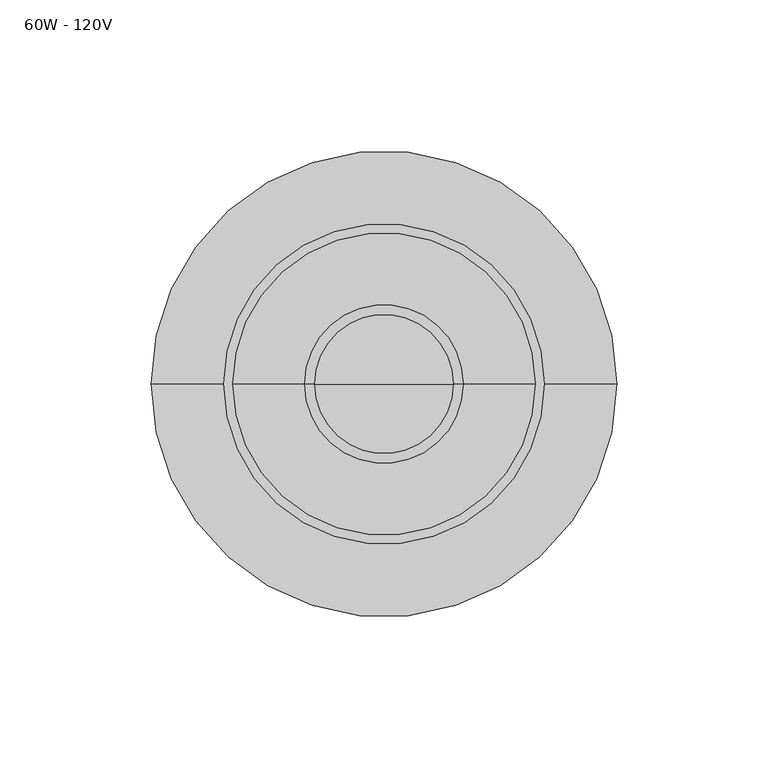
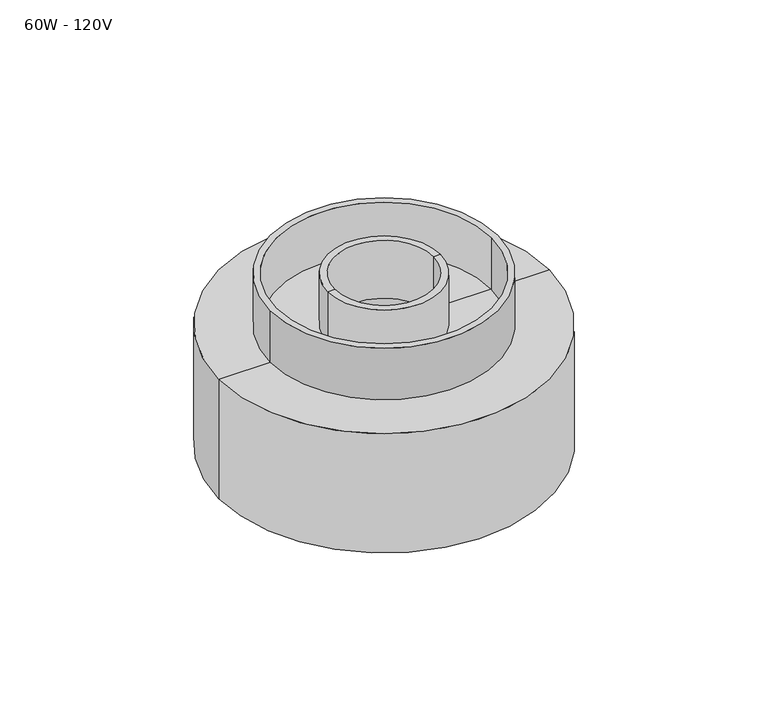
"""IFC4 building model written with IfcOpenShell, lengths in millimetres: light fixture geometry, 60W - 120V."""

from ifc_helpers import new_model, si_unit, point, frame, origin, origin_2d, place, context, project, spatial, polyline, circle_curve, trimmed, segment, composite_curve, outline, extrude, source, transform, mapped, element, save
from ifc_brep_helpers import plane_surface, cylinder_surface, revolved_surface, advanced_brep


def light_fixture_60w_120v_169798fd(model_context):
    return source(origin(), model_context, "Body", "SolidModel", [
        extrude(outline(composite_curve([segment(trimmed(circle_curve(origin_2d(), 53.0), [point((-53.0, 0.0))], [point((53.0, 0.0))], False, "CARTESIAN"), True, "CONTINUOUS"), segment(trimmed(circle_curve(origin_2d(), 53.0), [point((53.0, 0.0))], [point((-53.0, 0.0))], False, "CARTESIAN"), True, "CONTINUOUS")], self_intersect=False), holes=[composite_curve([segment(trimmed(circle_curve(origin_2d(), 50.0), [point((-50.0, 0.0))], [point((50.0, 0.0))], True, "CARTESIAN"), True, "CONTINUOUS"), segment(trimmed(circle_curve(origin_2d(), 50.0), [point((50.0, 0.0))], [point((-50.0, 0.0))], True, "CARTESIAN"), True, "CONTINUOUS")], self_intersect=False)]), frame((0.0, 0.0, 2413.0), z_axis=(0.0, 0.0, 1.0), x_axis=(1.0, 0.0, 0.0)), (0.0, 0.0, 1.0), 25.4),
        advanced_brep(
        [(77.0, 0.0, 2413.0), (-77.0, 0.0, 2413.0), (-26.2, 0.0, 2413.0), (26.2, 0.0, 2413.0), (77.0, 0.0, 2354.1), (-77.0, 0.0, 2354.1), (0.0, 0.0, 2354.1), (73.825, 0.0, 2357.275), (-73.825, 0.0, 2357.275), (0.0, 0.0, 2357.275), (73.825, 0.0, 2409.825), (-73.825, 0.0, 2409.825), (23.025, 0.0, 2409.825), (-23.025, 0.0, 2409.825), (23.025, 0.0, 2438.4), (-23.025, 0.0, 2438.4), (26.2, 0.0, 2438.4), (-26.2, 0.0, 2438.4)],
        [
            (0, 1, circle_curve(frame((0.0, 0.0, 2413.0), z_axis=(0.0, 0.0, 1.0), x_axis=(-1.0, 0.0, 0.0)), 77.0)),
            (1, 2),
            (2, 3, circle_curve(frame((0.0, 0.0, 2413.0), z_axis=(0.0, 0.0, -1.0), x_axis=(-1.0, 0.0, 0.0)), 26.2)),
            (3, 0),
            (1, 0, circle_curve(frame((0.0, 0.0, 2413.0), z_axis=(0.0, 0.0, 1.0), x_axis=(-1.0, 0.0, 0.0)), 77.0)),
            (3, 2, circle_curve(frame((0.0, 0.0, 2413.0), z_axis=(0.0, 0.0, -1.0), x_axis=(-1.0, 0.0, 0.0)), 26.2)),
            (4, 5, circle_curve(frame((0.0, 0.0, 2354.1), z_axis=(0.0, 0.0, 1.0), x_axis=(-1.0, 0.0, 0.0)), 77.0)),
            (5, 1),
            (0, 4),
            (5, 4, circle_curve(frame((0.0, 0.0, 2354.1), z_axis=(0.0, 0.0, 1.0), x_axis=(-1.0, 0.0, 0.0)), 77.0)),
            (6, 5),
            (4, 6),
            (7, 8, circle_curve(frame((0.0, 0.0, 2357.275), z_axis=(0.0, 0.0, 1.0), x_axis=(-1.0, 0.0, 0.0)), 73.825)),
            (8, 9),
            (9, 7),
            (8, 7, circle_curve(frame((0.0, 0.0, 2357.275), z_axis=(0.0, 0.0, 1.0), x_axis=(-1.0, 0.0, 0.0)), 73.825)),
            (10, 11, circle_curve(frame((0.0, 0.0, 2409.825), z_axis=(0.0, 0.0, 1.0), x_axis=(-1.0, 0.0, 0.0)), 73.825)),
            (11, 8),
            (7, 10),
            (11, 10, circle_curve(frame((0.0, 0.0, 2409.825), z_axis=(0.0, 0.0, 1.0), x_axis=(-1.0, 0.0, 0.0)), 73.825)),
            (12, 13, circle_curve(frame((0.0, 0.0, 2409.825), z_axis=(0.0, 0.0, 1.0), x_axis=(-1.0, 0.0, 0.0)), 23.025)),
            (13, 11),
            (10, 12),
            (13, 12, circle_curve(frame((0.0, 0.0, 2409.825), z_axis=(0.0, 0.0, 1.0), x_axis=(-1.0, 0.0, 0.0)), 23.025)),
            (14, 15, circle_curve(frame((0.0, 0.0, 2438.4), z_axis=(0.0, 0.0, 1.0), x_axis=(-1.0, 0.0, 0.0)), 23.025)),
            (15, 13),
            (12, 14),
            (15, 14, circle_curve(frame((0.0, 0.0, 2438.4), z_axis=(0.0, 0.0, 1.0), x_axis=(-1.0, 0.0, 0.0)), 23.025)),
            (16, 17, circle_curve(frame((0.0, 0.0, 2438.4), z_axis=(0.0, 0.0, 1.0), x_axis=(-1.0, 0.0, 0.0)), 26.2)),
            (17, 15),
            (14, 16),
            (17, 16, circle_curve(frame((0.0, 0.0, 2438.4), z_axis=(0.0, 0.0, 1.0), x_axis=(-1.0, 0.0, 0.0)), 26.2)),
            (2, 17),
            (16, 3),
        ],
        [
            plane_surface(frame((0.0, 0.0, 2413.0), z_axis=(0.0, 0.0, 1.0), x_axis=(-1.0, 0.0, 0.0))),
            cylinder_surface(frame((0.0, 0.0, 2463.8), z_axis=(0.0, 0.0, -1.0), x_axis=(-1.0, 0.0, 0.0)), 77.0),
            plane_surface(frame((0.0, 0.0, 2354.1), z_axis=(0.0, 0.0, -1.0), x_axis=(-1.0, 0.0, 0.0))),
            plane_surface(frame((0.0, 0.0, 2357.275), z_axis=(0.0, 0.0, 1.0), x_axis=(-1.0, 0.0, 0.0))),
            revolved_surface(polyline([(-73.825, 0.0, 2357.275), (-73.825, 0.0, 2409.825)]), (0.0, 0.0, 2463.8), (0.0, 0.0, -1.0)),
            plane_surface(frame((0.0, 0.0, 2409.825), z_axis=(0.0, 0.0, -1.0), x_axis=(-1.0, 0.0, 0.0))),
            revolved_surface(polyline([(-23.025, 0.0, 2409.825), (-23.025, 0.0, 2438.4)]), (0.0, 0.0, 2463.8), (0.0, 0.0, -1.0)),
            plane_surface(frame((0.0, 0.0, 2438.4), z_axis=(0.0, 0.0, 1.0), x_axis=(-1.0, 0.0, 0.0))),
            cylinder_surface(frame((0.0, 0.0, 2463.8), z_axis=(0.0, 0.0, -1.0), x_axis=(-1.0, 0.0, 0.0)), 26.2),
        ],
        [
            (0, [[1, 2, 3, 4]]),
            (0, [[5, -4, 6, -2]]),
            (1, [[7, 8, -1, 9]]),
            (1, [[10, -9, -5, -8]]),
            (2, [[11, -7, 12]]),
            (2, [[-12, -10, -11]]),
            (3, [[13, 14, 15]]),
            (3, [[16, -15, -14]]),
            (4, [[17, 18, -13, 19]]),
            (4, [[20, -19, -16, -18]]),
            (5, [[21, 22, -17, 23]]),
            (5, [[24, -23, -20, -22]]),
            (6, [[25, 26, -21, 27]]),
            (6, [[28, -27, -24, -26]]),
            (7, [[29, 30, -25, 31]]),
            (7, [[32, -31, -28, -30]]),
            (8, [[-3, 33, -29, 34]]),
            (8, [[-6, -34, -32, -33]]),
        ],
    ),
    ])


if __name__ == "__main__":
    model = new_model("IFC4")
    model_context = context("Model", 3, world=origin())
    ifc_project = project(units=[si_unit("LENGTHUNIT", "METRE", prefix="MILLI")], contexts=[model_context])
    site = spatial("IfcSite", under=ifc_project)
    building = spatial("IfcBuilding", under=site)
    placement = place(None, origin())
    light_fixture_60w_120v_shape = light_fixture_60w_120v_169798fd(model_context)
    element("IfcLightFixture", 1, ObjectType="60W - 120V", at=placement, inside=building, context=model_context, shape_type="MappedRepresentation", body=[
        mapped(light_fixture_60w_120v_shape, transform((0.0, 0.0, 0.0), x_axis=(1.0, 0.0, 0.0), y_axis=(0.0, 1.0, 0.0), z_axis=(0.0, 0.0, 1.0))),
    ])
    save(model, "model.ifc")
